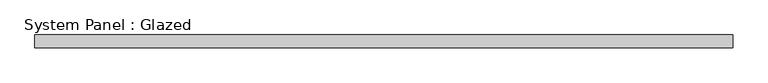
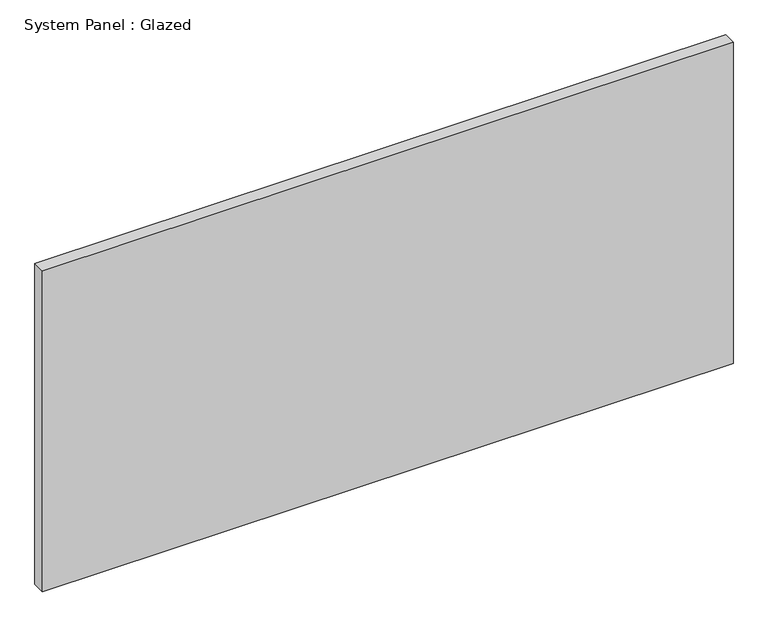
"""IFC4 building model written with IfcOpenShell, lengths in millimetres: plate geometry, System Panel : Glazed."""

from ifc_helpers import new_model, si_unit, origin, origin_with_axes, place, context, project, spatial, polyline, outline, extrude, source, transform, mapped, element, save


def system_panel_glazed_b1250100(model_context):
    return source(origin(), model_context, "Body", "SweptSolid", [
        extrude(outline(polyline([(677.375, 19.05), (-677.375, 19.05), (-677.375, 44.45), (677.375, 44.45), (677.375, 19.05)])), origin_with_axes(), (0.0, 0.0, 1.0), 666.35),
    ])


if __name__ == "__main__":
    model = new_model("IFC4")
    model_context = context("Model", 3, world=origin())
    ifc_project = project(units=[si_unit("LENGTHUNIT", "METRE", prefix="MILLI")], contexts=[model_context])
    site = spatial("IfcSite", under=ifc_project)
    building = spatial("IfcBuilding", under=site)
    placement = place(None, origin())
    system_panel_glazed_shape = system_panel_glazed_b1250100(model_context)
    element("IfcPlate", 1, ObjectType="System Panel : Glazed", at=placement, inside=building, context=model_context, shape_type="MappedRepresentation", body=[
        mapped(system_panel_glazed_shape, transform((0.0, 0.0, 0.0), x_axis=(1.0, 0.0, 0.0), y_axis=(0.0, 1.0, 0.0), z_axis=(0.0, 0.0, 1.0))),
    ])
    save(model, "model.ifc")
